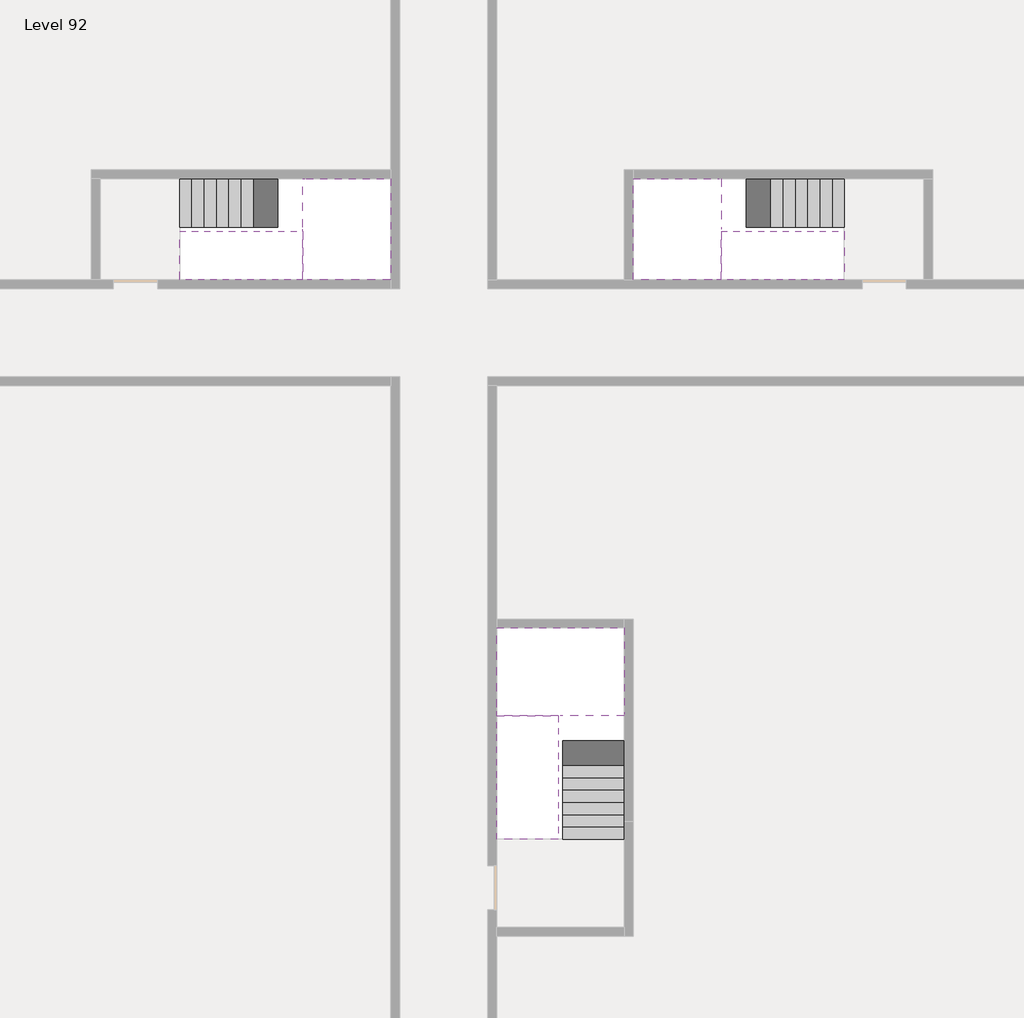
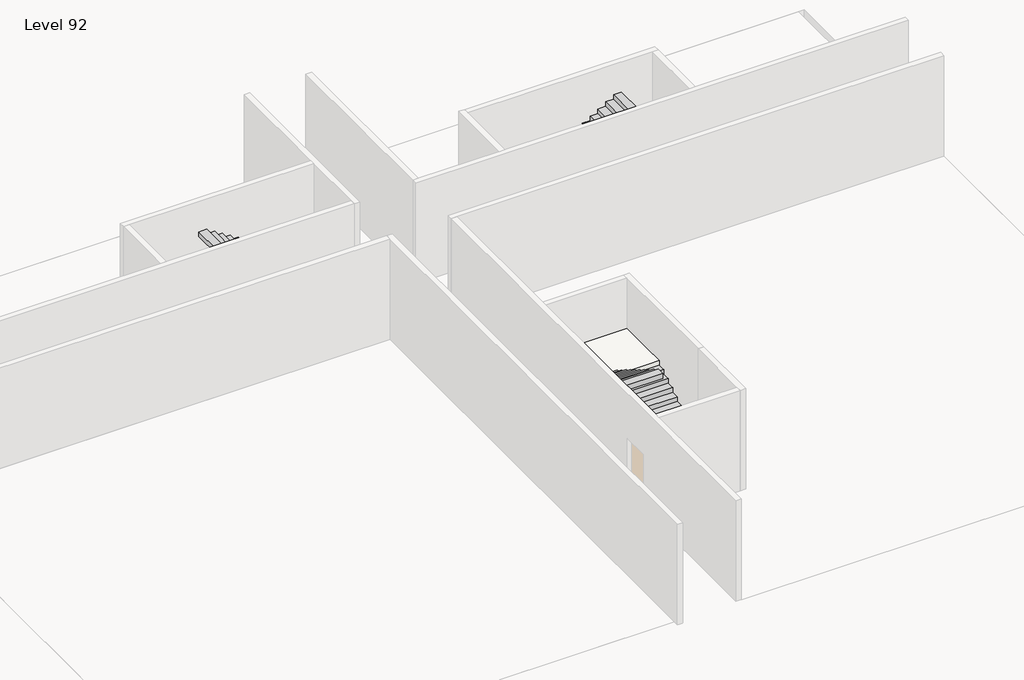
# One storey, part 2 of 2: 6 stair flights, 3 slabs.
"""IFC4 building model written with IfcOpenShell, lengths in millimetres."""

from ifc_helpers import new_model, si_unit, origin, place, context, project, spatial, faceted_brep, element, save

model = new_model("IFC4")

# Units and contexts
model_context = context("Model", 3, world=origin())
ifc_project = project(units=[si_unit("LENGTHUNIT", "METRE", prefix="MILLI")], contexts=[model_context])

# Site, building, storey
site = spatial("IfcSite", under=ifc_project)
building = spatial("IfcBuilding", under=site)
storey = spatial("IfcBuildingStorey", under=building, Name="Level 92", Elevation=345800.0)

# Slabs
placement = place(None, origin())
element("IfcSlab", 1, at=placement, inside=storey, context=model_context, shape_type="Brep", body=[
    faceted_brep([(26890.1058784, -40418.09644, 347700.0), (28290.1058784, -40418.09644, 347700.0), (28290.1058784, -40338.7100038, 347700.0), (28290.1058784, -38418.09644, 347700.0), (25390.1058784, -38418.09644, 347700.0), (25390.1058784, -40217.4828763, 347700.0), (25390.1058784, -40418.09644, 347700.0), (26790.1058784, -40418.09644, 347700.0), (26890.1058784, -40418.09644, 347400.0), (26890.1058784, -40418.09644, 347351.0278478), (28290.1058784, -40418.09644, 347351.0278478), (28290.1058784, -40418.09644, 347527.2727273), (28290.1058784, -40338.7100038, 347400.0), (28290.1058784, -38418.09644, 347400.0), (25390.1058784, -38418.09644, 347400.0), (25390.1058784, -40217.4828763, 347400.0), (25390.1058784, -40418.09644, 347523.7551205), (26790.1058784, -40418.09644, 347523.7551205), (26790.1058784, -40418.09644, 347400.0), (26790.1058784, -40217.4828763, 347400.0), (26890.1058784, -40338.7100038, 347400.0)], [[[0, 1, 2, 3, 4, 5, 6, 7]], [[1, 0, 8, 9, 10, 11]], [[1, 11, 10, 12, 13, 3, 2]], [[4, 3, 13, 14]], [[4, 14, 15, 16, 6, 5]], [[7, 6, 16, 17]], [[0, 7, 17, 18, 8]], [[18, 19, 15, 14, 13, 12, 20, 8]], [[19, 18, 17]], [[20, 12, 10, 9]], [[8, 20, 9]], [[15, 19, 17, 16]]]),
])
element("IfcSlab", 2, at=placement, inside=storey, context=model_context, shape_type="Brep", body=[
    faceted_brep([(20990.1058784, -28218.09644, 347700.0), (20990.1058784, -29318.09644, 347700.0), (20990.1058784, -29418.09644, 347700.0), (20990.1058784, -30518.09644, 347700.0), (21190.7194421, -30518.09644, 347700.0), (22990.1058784, -30518.09644, 347700.0), (22990.1058784, -28218.09644, 347700.0), (21069.4923146, -28218.09644, 347700.0), (20990.1058784, -28218.09644, 347527.2727273), (20990.1058784, -28218.09644, 347351.0278478), (20990.1058784, -29318.09644, 347351.0278478), (20990.1058784, -29318.09644, 347400.0), (20990.1058784, -29418.09644, 347400.0), (20990.1058784, -29418.09644, 347523.7551205), (20990.1058784, -30518.09644, 347523.7551205), (21190.7194421, -30518.09644, 347400.0), (22990.1058784, -30518.09644, 347400.0), (22990.1058784, -28218.09644, 347400.0), (21069.4923146, -28218.09644, 347400.0), (21190.7194421, -29418.09644, 347400.0), (21069.4923146, -29318.09644, 347400.0)], [[[0, 1, 2, 3, 4, 5, 6, 7]], [[1, 0, 8, 9, 10, 11]], [[2, 1, 11, 12, 13]], [[3, 2, 13, 14]], [[3, 14, 15, 16, 5, 4]], [[6, 5, 16, 17]], [[9, 8, 0, 7, 6, 17, 18]], [[19, 12, 11, 20, 18, 17, 16, 15]], [[12, 19, 13]], [[18, 20, 10, 9]], [[20, 11, 10]], [[19, 15, 14, 13]]]),
])
element("IfcSlab", 3, at=placement, inside=storey, context=model_context, shape_type="Brep", body=[
    faceted_brep([(30490.1058784, -29318.09644, 347700.0), (30490.1058784, -28218.09644, 347700.0), (30410.7194421, -28218.09644, 347700.0), (28490.1058784, -28218.09644, 347700.0), (28490.1058784, -30518.09644, 347700.0), (30289.4923146, -30518.09644, 347700.0), (30490.1058784, -30518.09644, 347700.0), (30490.1058784, -29418.09644, 347700.0), (30490.1058784, -29318.09644, 347400.0), (30490.1058784, -29318.09644, 347351.0278478), (30490.1058784, -28218.09644, 347351.0278478), (30490.1058784, -28218.09644, 347527.2727273), (30490.1058784, -29418.09644, 347523.7551205), (30490.1058784, -29418.09644, 347400.0), (30490.1058784, -30518.09644, 347523.7551205), (28490.1058784, -30518.09644, 347400.0), (30289.4923146, -30518.09644, 347400.0), (28490.1058784, -28218.09644, 347400.0), (30410.7194421, -28218.09644, 347400.0), (30289.4923146, -29418.09644, 347400.0), (30410.7194421, -29318.09644, 347400.0)], [[[0, 1, 2, 3, 4, 5, 6, 7]], [[1, 0, 8, 9, 10, 11]], [[0, 7, 12, 13, 8]], [[7, 6, 14, 12]], [[4, 15, 16, 14, 6, 5]], [[4, 3, 17, 15]], [[1, 11, 10, 18, 17, 3, 2]], [[13, 19, 16, 15, 17, 18, 20, 8]], [[20, 18, 10, 9]], [[8, 20, 9]], [[16, 19, 12, 14]], [[19, 13, 12]]]),
])

# Stair flights
element("IfcStairFlight", 4, at=placement, inside=storey, context=model_context, shape_type="Brep", body=[
    faceted_brep([(26890.1058784, -42938.09644, 345972.7272727), (26890.1058784, -43218.09644, 345972.7272727), (28290.1058784, -43218.09644, 345972.7272727), (28290.1058784, -42938.09644, 345972.7272727), (26890.1058784, -42938.09644, 345800.0), (26890.1058784, -43218.09644, 345800.0), (28290.1058784, -43218.09644, 345800.0), (28290.1058784, -42938.09644, 345800.0), (26890.1058784, -42658.09644, 346145.4545455), (26890.1058784, -42938.09644, 346145.4545455), (28290.1058784, -42938.09644, 346145.4545455), (28290.1058784, -42658.09644, 346145.4545455), (26890.1058784, -42658.09644, 345969.209666), (26890.1058784, -42932.3942143, 345800.0), (28290.1058784, -42932.3942143, 345800.0), (28290.1058784, -42658.09644, 345969.209666), (26890.1058784, -42378.09644, 346318.1818182), (26890.1058784, -42658.09644, 346318.1818182), (28290.1058784, -42658.09644, 346318.1818182), (28290.1058784, -42378.09644, 346318.1818182), (26890.1058784, -42378.09644, 346141.9369387), (28290.1058784, -42378.09644, 346141.9369387), (26890.1058784, -42098.09644, 346490.9090909), (26890.1058784, -42378.09644, 346490.9090909), (28290.1058784, -42378.09644, 346490.9090909), (28290.1058784, -42098.09644, 346490.9090909), (26890.1058784, -42098.09644, 346314.6642114), (28290.1058784, -42098.09644, 346314.6642114), (26890.1058784, -41818.09644, 346663.6363636), (26890.1058784, -42098.09644, 346663.6363636), (28290.1058784, -42098.09644, 346663.6363636), (28290.1058784, -41818.09644, 346663.6363636), (26890.1058784, -41818.09644, 346487.3914841), (28290.1058784, -41818.09644, 346487.3914841), (26890.1058784, -41538.09644, 346836.3636364), (26890.1058784, -41818.09644, 346836.3636364), (28290.1058784, -41818.09644, 346836.3636364), (28290.1058784, -41538.09644, 346836.3636364), (26890.1058784, -41538.09644, 346660.1187569), (28290.1058784, -41538.09644, 346660.1187569), (26890.1058784, -41258.09644, 347009.0909091), (26890.1058784, -41538.09644, 347009.0909091), (28290.1058784, -41538.09644, 347009.0909091), (28290.1058784, -41258.09644, 347009.0909091), (26890.1058784, -41258.09644, 346832.8460296), (28290.1058784, -41258.09644, 346832.8460296), (26890.1058784, -40978.09644, 347181.8181818), (26890.1058784, -41258.09644, 347181.8181818), (28290.1058784, -41258.09644, 347181.8181818), (28290.1058784, -40978.09644, 347181.8181818), (26890.1058784, -40978.09644, 347005.5733023), (28290.1058784, -40978.09644, 347005.5733023), (26890.1058784, -40698.09644, 347354.5454545), (26890.1058784, -40978.09644, 347354.5454545), (28290.1058784, -40978.09644, 347354.5454545), (28290.1058784, -40698.09644, 347354.5454545), (26890.1058784, -40698.09644, 347178.3005751), (28290.1058784, -40698.09644, 347178.3005751), (26890.1058784, -40418.09644, 347527.2727273), (26890.1058784, -40698.09644, 347527.2727273), (28290.1058784, -40698.09644, 347527.2727273), (28290.1058784, -40418.09644, 347527.2727273), (26890.1058784, -40418.09644, 347400.0), (26890.1058784, -40418.09644, 347351.0278478), (28290.1058784, -40418.09644, 347351.0278478)], [[[0, 1, 2, 3]], [[1, 0, 4, 5]], [[2, 1, 5, 6]], [[3, 2, 6, 7]], [[8, 9, 10, 11]], [[4, 0, 9, 8, 12, 13]], [[0, 3, 10, 9]], [[3, 7, 14, 15, 11, 10]], [[16, 17, 18, 19]], [[17, 16, 20, 12, 8]], [[8, 11, 18, 17]], [[19, 18, 11, 15, 21]], [[22, 23, 24, 25]], [[23, 22, 26, 20, 16]], [[16, 19, 24, 23]], [[25, 24, 19, 21, 27]], [[28, 29, 30, 31]], [[29, 28, 32, 26, 22]], [[22, 25, 30, 29]], [[31, 30, 25, 27, 33]], [[34, 35, 36, 37]], [[35, 34, 38, 32, 28]], [[28, 31, 36, 35]], [[37, 36, 31, 33, 39]], [[40, 41, 42, 43]], [[41, 40, 44, 38, 34]], [[34, 37, 42, 41]], [[43, 42, 37, 39, 45]], [[46, 47, 48, 49]], [[47, 46, 50, 44, 40]], [[40, 43, 48, 47]], [[49, 48, 43, 45, 51]], [[52, 53, 54, 55]], [[53, 52, 56, 50, 46]], [[46, 49, 54, 53]], [[55, 54, 49, 51, 57]], [[58, 59, 60, 61]], [[59, 58, 62, 63, 56, 52]], [[52, 55, 60, 59]], [[61, 60, 55, 57, 64]], [[58, 61, 64, 63, 62]], [[5, 4, 13, 14, 7, 6]], [[14, 13, 12, 20, 26, 32, 38, 44, 50, 56, 63, 64, 57, 51, 45, 39, 33, 27, 21, 15]]]),
])
element("IfcStairFlight", 5, at=placement, inside=storey, context=model_context, shape_type="Brep", body=[
    faceted_brep([(26790.1058784, -40698.09644, 347872.7272727), (26790.1058784, -40418.09644, 347872.7272727), (25390.1058784, -40418.09644, 347872.7272727), (25390.1058784, -40698.09644, 347872.7272727), (26790.1058784, -40698.09644, 347696.4823932), (26790.1058784, -40418.09644, 347523.7551205), (25390.1058784, -40418.09644, 347523.7551205), (25390.1058784, -40418.09644, 347700.0), (25390.1058784, -40698.09644, 347696.4823932), (26790.1058784, -40978.09644, 348045.4545455), (26790.1058784, -40698.09644, 348045.4545455), (25390.1058784, -40698.09644, 348045.4545455), (25390.1058784, -40978.09644, 348045.4545455), (26790.1058784, -40978.09644, 347869.209666), (25390.1058784, -40978.09644, 347869.209666), (26790.1058784, -41258.09644, 348218.1818182), (26790.1058784, -40978.09644, 348218.1818182), (25390.1058784, -40978.09644, 348218.1818182), (25390.1058784, -41258.09644, 348218.1818182), (26790.1058784, -41258.09644, 348041.9369387), (25390.1058784, -41258.09644, 348041.9369387), (26790.1058784, -41538.09644, 348390.9090909), (26790.1058784, -41258.09644, 348390.9090909), (25390.1058784, -41258.09644, 348390.9090909), (25390.1058784, -41538.09644, 348390.9090909), (26790.1058784, -41538.09644, 348214.6642114), (25390.1058784, -41538.09644, 348214.6642114), (26790.1058784, -41818.09644, 348563.6363636), (26790.1058784, -41538.09644, 348563.6363636), (25390.1058784, -41538.09644, 348563.6363636), (25390.1058784, -41818.09644, 348563.6363636), (26790.1058784, -41818.09644, 348387.3914841), (25390.1058784, -41818.09644, 348387.3914841), (26790.1058784, -42098.09644, 348736.3636364), (26790.1058784, -41818.09644, 348736.3636364), (25390.1058784, -41818.09644, 348736.3636364), (25390.1058784, -42098.09644, 348736.3636364), (26790.1058784, -42098.09644, 348560.1187569), (25390.1058784, -42098.09644, 348560.1187569), (26790.1058784, -42378.09644, 348909.0909091), (26790.1058784, -42098.09644, 348909.0909091), (25390.1058784, -42098.09644, 348909.0909091), (25390.1058784, -42378.09644, 348909.0909091), (26790.1058784, -42378.09644, 348732.8460296), (25390.1058784, -42378.09644, 348732.8460296), (26790.1058784, -42658.09644, 349081.8181818), (26790.1058784, -42378.09644, 349081.8181818), (25390.1058784, -42378.09644, 349081.8181818), (25390.1058784, -42658.09644, 349081.8181818), (26790.1058784, -42658.09644, 348905.5733023), (25390.1058784, -42658.09644, 348905.5733023), (26790.1058784, -42938.09644, 349254.5454545), (26790.1058784, -42658.09644, 349254.5454545), (25390.1058784, -42658.09644, 349254.5454545), (25390.1058784, -42938.09644, 349254.5454545), (26790.1058784, -42938.09644, 349078.3005751), (25390.1058784, -42938.09644, 349078.3005751), (26790.1058784, -43218.09644, 349427.2727273), (26790.1058784, -42938.09644, 349427.2727273), (25390.1058784, -42938.09644, 349427.2727273), (25390.1058784, -43218.09644, 349427.2727273), (26790.1058784, -43218.09644, 349251.0278478), (25390.1058784, -43218.09644, 349251.0278478)], [[[0, 1, 2, 3]], [[1, 0, 4, 5]], [[2, 1, 5, 6, 7]], [[3, 2, 7, 6, 8]], [[9, 10, 11, 12]], [[10, 9, 13, 4, 0]], [[11, 10, 0, 3]], [[12, 11, 3, 8, 14]], [[15, 16, 17, 18]], [[16, 15, 19, 13, 9]], [[17, 16, 9, 12]], [[18, 17, 12, 14, 20]], [[21, 22, 23, 24]], [[22, 21, 25, 19, 15]], [[23, 22, 15, 18]], [[24, 23, 18, 20, 26]], [[27, 28, 29, 30]], [[28, 27, 31, 25, 21]], [[29, 28, 21, 24]], [[30, 29, 24, 26, 32]], [[33, 34, 35, 36]], [[34, 33, 37, 31, 27]], [[35, 34, 27, 30]], [[36, 35, 30, 32, 38]], [[39, 40, 41, 42]], [[40, 39, 43, 37, 33]], [[41, 40, 33, 36]], [[42, 41, 36, 38, 44]], [[45, 46, 47, 48]], [[46, 45, 49, 43, 39]], [[47, 46, 39, 42]], [[48, 47, 42, 44, 50]], [[51, 52, 53, 54]], [[52, 51, 55, 49, 45]], [[53, 52, 45, 48]], [[54, 53, 48, 50, 56]], [[57, 58, 59, 60]], [[58, 57, 61, 55, 51]], [[59, 58, 51, 54]], [[60, 59, 54, 56, 62]], [[57, 60, 62, 61]], [[5, 4, 13, 19, 25, 31, 37, 43, 49, 55, 61, 62, 56, 50, 44, 38, 32, 26, 20, 14, 8, 6]]]),
])
element("IfcStairFlight", 6, at=placement, inside=storey, context=model_context, shape_type="Brep", body=[
    faceted_brep([(18470.1058784, -28218.09644, 345972.7272727), (18190.1058784, -28218.09644, 345972.7272727), (18190.1058784, -29318.09644, 345972.7272727), (18470.1058784, -29318.09644, 345972.7272727), (18470.1058784, -28218.09644, 345800.0), (18190.1058784, -28218.09644, 345800.0), (18190.1058784, -29318.09644, 345800.0), (18470.1058784, -29318.09644, 345800.0), (18750.1058784, -28218.09644, 346145.4545455), (18470.1058784, -28218.09644, 346145.4545455), (18470.1058784, -29318.09644, 346145.4545455), (18750.1058784, -29318.09644, 346145.4545455), (18750.1058784, -28218.09644, 345969.209666), (18475.8081041, -28218.09644, 345800.0), (18475.8081041, -29318.09644, 345800.0), (18750.1058784, -29318.09644, 345969.209666), (19030.1058784, -28218.09644, 346318.1818182), (18750.1058784, -28218.09644, 346318.1818182), (18750.1058784, -29318.09644, 346318.1818182), (19030.1058784, -29318.09644, 346318.1818182), (19030.1058784, -28218.09644, 346141.9369387), (19030.1058784, -29318.09644, 346141.9369387), (19310.1058784, -28218.09644, 346490.9090909), (19030.1058784, -28218.09644, 346490.9090909), (19030.1058784, -29318.09644, 346490.9090909), (19310.1058784, -29318.09644, 346490.9090909), (19310.1058784, -28218.09644, 346314.6642114), (19310.1058784, -29318.09644, 346314.6642114), (19590.1058784, -28218.09644, 346663.6363636), (19310.1058784, -28218.09644, 346663.6363636), (19310.1058784, -29318.09644, 346663.6363636), (19590.1058784, -29318.09644, 346663.6363636), (19590.1058784, -28218.09644, 346487.3914841), (19590.1058784, -29318.09644, 346487.3914841), (19870.1058784, -28218.09644, 346836.3636364), (19590.1058784, -28218.09644, 346836.3636364), (19590.1058784, -29318.09644, 346836.3636364), (19870.1058784, -29318.09644, 346836.3636364), (19870.1058784, -28218.09644, 346660.1187569), (19870.1058784, -29318.09644, 346660.1187569), (20150.1058784, -28218.09644, 347009.0909091), (19870.1058784, -28218.09644, 347009.0909091), (19870.1058784, -29318.09644, 347009.0909091), (20150.1058784, -29318.09644, 347009.0909091), (20150.1058784, -28218.09644, 346832.8460296), (20150.1058784, -29318.09644, 346832.8460296), (20430.1058784, -28218.09644, 347181.8181818), (20150.1058784, -28218.09644, 347181.8181818), (20150.1058784, -29318.09644, 347181.8181818), (20430.1058784, -29318.09644, 347181.8181818), (20430.1058784, -28218.09644, 347005.5733023), (20430.1058784, -29318.09644, 347005.5733023), (20710.1058784, -28218.09644, 347354.5454545), (20430.1058784, -28218.09644, 347354.5454545), (20430.1058784, -29318.09644, 347354.5454545), (20710.1058784, -29318.09644, 347354.5454545), (20710.1058784, -28218.09644, 347178.3005751), (20710.1058784, -29318.09644, 347178.3005751), (20990.1058784, -28218.09644, 347527.2727273), (20710.1058784, -28218.09644, 347527.2727273), (20710.1058784, -29318.09644, 347527.2727273), (20990.1058784, -29318.09644, 347527.2727273), (20990.1058784, -28218.09644, 347351.0278478), (20990.1058784, -29318.09644, 347351.0278478), (20990.1058784, -29318.09644, 347400.0)], [[[0, 1, 2, 3]], [[1, 0, 4, 5]], [[2, 1, 5, 6]], [[3, 2, 6, 7]], [[8, 9, 10, 11]], [[4, 0, 9, 8, 12, 13]], [[0, 3, 10, 9]], [[3, 7, 14, 15, 11, 10]], [[16, 17, 18, 19]], [[17, 16, 20, 12, 8]], [[8, 11, 18, 17]], [[19, 18, 11, 15, 21]], [[22, 23, 24, 25]], [[23, 22, 26, 20, 16]], [[16, 19, 24, 23]], [[25, 24, 19, 21, 27]], [[28, 29, 30, 31]], [[29, 28, 32, 26, 22]], [[22, 25, 30, 29]], [[31, 30, 25, 27, 33]], [[34, 35, 36, 37]], [[35, 34, 38, 32, 28]], [[28, 31, 36, 35]], [[37, 36, 31, 33, 39]], [[40, 41, 42, 43]], [[41, 40, 44, 38, 34]], [[34, 37, 42, 41]], [[43, 42, 37, 39, 45]], [[46, 47, 48, 49]], [[47, 46, 50, 44, 40]], [[40, 43, 48, 47]], [[49, 48, 43, 45, 51]], [[52, 53, 54, 55]], [[53, 52, 56, 50, 46]], [[46, 49, 54, 53]], [[55, 54, 49, 51, 57]], [[58, 59, 60, 61]], [[59, 58, 62, 56, 52]], [[52, 55, 60, 59]], [[61, 60, 55, 57, 63, 64]], [[58, 61, 64, 63, 62]], [[5, 4, 13, 14, 7, 6]], [[14, 13, 12, 20, 26, 32, 38, 44, 50, 56, 62, 63, 57, 51, 45, 39, 33, 27, 21, 15]]]),
])
element("IfcStairFlight", 7, at=placement, inside=storey, context=model_context, shape_type="Brep", body=[
    faceted_brep([(20710.1058784, -30518.09644, 347872.7272727), (20990.1058784, -30518.09644, 347872.7272727), (20990.1058784, -29418.09644, 347872.7272727), (20710.1058784, -29418.09644, 347872.7272727), (20710.1058784, -30518.09644, 347696.4823932), (20990.1058784, -30518.09644, 347523.7551205), (20990.1058784, -30518.09644, 347700.0), (20990.1058784, -29418.09644, 347523.7551205), (20710.1058784, -29418.09644, 347696.4823932), (20430.1058784, -30518.09644, 348045.4545455), (20710.1058784, -30518.09644, 348045.4545455), (20710.1058784, -29418.09644, 348045.4545455), (20430.1058784, -29418.09644, 348045.4545455), (20430.1058784, -30518.09644, 347869.209666), (20430.1058784, -29418.09644, 347869.209666), (20150.1058784, -30518.09644, 348218.1818182), (20430.1058784, -30518.09644, 348218.1818182), (20430.1058784, -29418.09644, 348218.1818182), (20150.1058784, -29418.09644, 348218.1818182), (20150.1058784, -30518.09644, 348041.9369387), (20150.1058784, -29418.09644, 348041.9369387), (19870.1058784, -30518.09644, 348390.9090909), (20150.1058784, -30518.09644, 348390.9090909), (20150.1058784, -29418.09644, 348390.9090909), (19870.1058784, -29418.09644, 348390.9090909), (19870.1058784, -30518.09644, 348214.6642114), (19870.1058784, -29418.09644, 348214.6642114), (19590.1058784, -30518.09644, 348563.6363636), (19870.1058784, -30518.09644, 348563.6363636), (19870.1058784, -29418.09644, 348563.6363636), (19590.1058784, -29418.09644, 348563.6363636), (19590.1058784, -30518.09644, 348387.3914841), (19590.1058784, -29418.09644, 348387.3914841), (19310.1058784, -30518.09644, 348736.3636364), (19590.1058784, -30518.09644, 348736.3636364), (19590.1058784, -29418.09644, 348736.3636364), (19310.1058784, -29418.09644, 348736.3636364), (19310.1058784, -30518.09644, 348560.1187569), (19310.1058784, -29418.09644, 348560.1187569), (19030.1058784, -30518.09644, 348909.0909091), (19310.1058784, -30518.09644, 348909.0909091), (19310.1058784, -29418.09644, 348909.0909091), (19030.1058784, -29418.09644, 348909.0909091), (19030.1058784, -30518.09644, 348732.8460296), (19030.1058784, -29418.09644, 348732.8460296), (18750.1058784, -30518.09644, 349081.8181818), (19030.1058784, -30518.09644, 349081.8181818), (19030.1058784, -29418.09644, 349081.8181818), (18750.1058784, -29418.09644, 349081.8181818), (18750.1058784, -30518.09644, 348905.5733023), (18750.1058784, -29418.09644, 348905.5733023), (18470.1058784, -30518.09644, 349254.5454545), (18750.1058784, -30518.09644, 349254.5454545), (18750.1058784, -29418.09644, 349254.5454545), (18470.1058784, -29418.09644, 349254.5454545), (18470.1058784, -30518.09644, 349078.3005751), (18470.1058784, -29418.09644, 349078.3005751), (18190.1058784, -30518.09644, 349427.2727273), (18470.1058784, -30518.09644, 349427.2727273), (18470.1058784, -29418.09644, 349427.2727273), (18190.1058784, -29418.09644, 349427.2727273), (18190.1058784, -30518.09644, 349251.0278478), (18190.1058784, -29418.09644, 349251.0278478)], [[[0, 1, 2, 3]], [[1, 0, 4, 5, 6]], [[2, 1, 6, 5, 7]], [[3, 2, 7, 8]], [[9, 10, 11, 12]], [[10, 9, 13, 4, 0]], [[11, 10, 0, 3]], [[12, 11, 3, 8, 14]], [[15, 16, 17, 18]], [[16, 15, 19, 13, 9]], [[17, 16, 9, 12]], [[18, 17, 12, 14, 20]], [[21, 22, 23, 24]], [[22, 21, 25, 19, 15]], [[23, 22, 15, 18]], [[24, 23, 18, 20, 26]], [[27, 28, 29, 30]], [[28, 27, 31, 25, 21]], [[29, 28, 21, 24]], [[30, 29, 24, 26, 32]], [[33, 34, 35, 36]], [[34, 33, 37, 31, 27]], [[35, 34, 27, 30]], [[36, 35, 30, 32, 38]], [[39, 40, 41, 42]], [[40, 39, 43, 37, 33]], [[41, 40, 33, 36]], [[42, 41, 36, 38, 44]], [[45, 46, 47, 48]], [[46, 45, 49, 43, 39]], [[47, 46, 39, 42]], [[48, 47, 42, 44, 50]], [[51, 52, 53, 54]], [[52, 51, 55, 49, 45]], [[53, 52, 45, 48]], [[54, 53, 48, 50, 56]], [[57, 58, 59, 60]], [[58, 57, 61, 55, 51]], [[59, 58, 51, 54]], [[60, 59, 54, 56, 62]], [[57, 60, 62, 61]], [[5, 4, 13, 19, 25, 31, 37, 43, 49, 55, 61, 62, 56, 50, 44, 38, 32, 26, 20, 14, 8, 7]]]),
])
element("IfcStairFlight", 8, at=placement, inside=storey, context=model_context, shape_type="Brep", body=[
    faceted_brep([(33010.1058784, -29318.09644, 345972.7272727), (33290.1058784, -29318.09644, 345972.7272727), (33290.1058784, -28218.09644, 345972.7272727), (33010.1058784, -28218.09644, 345972.7272727), (33290.1058784, -28218.09644, 345800.0), (33010.1058784, -28218.09644, 345800.0), (33290.1058784, -29318.09644, 345800.0), (33010.1058784, -29318.09644, 345800.0), (32730.1058784, -29318.09644, 346145.4545455), (33010.1058784, -29318.09644, 346145.4545455), (33010.1058784, -28218.09644, 346145.4545455), (32730.1058784, -28218.09644, 346145.4545455), (33004.4036527, -28218.09644, 345800.0), (32730.1058784, -28218.09644, 345969.209666), (32730.1058784, -29318.09644, 345969.209666), (33004.4036527, -29318.09644, 345800.0), (32450.1058784, -29318.09644, 346318.1818182), (32730.1058784, -29318.09644, 346318.1818182), (32730.1058784, -28218.09644, 346318.1818182), (32450.1058784, -28218.09644, 346318.1818182), (32450.1058784, -28218.09644, 346141.9369387), (32450.1058784, -29318.09644, 346141.9369387), (32170.1058784, -29318.09644, 346490.9090909), (32450.1058784, -29318.09644, 346490.9090909), (32450.1058784, -28218.09644, 346490.9090909), (32170.1058784, -28218.09644, 346490.9090909), (32170.1058784, -28218.09644, 346314.6642114), (32170.1058784, -29318.09644, 346314.6642114), (31890.1058784, -29318.09644, 346663.6363636), (32170.1058784, -29318.09644, 346663.6363636), (32170.1058784, -28218.09644, 346663.6363636), (31890.1058784, -28218.09644, 346663.6363636), (31890.1058784, -28218.09644, 346487.3914841), (31890.1058784, -29318.09644, 346487.3914841), (31610.1058784, -29318.09644, 346836.3636364), (31890.1058784, -29318.09644, 346836.3636364), (31890.1058784, -28218.09644, 346836.3636364), (31610.1058784, -28218.09644, 346836.3636364), (31610.1058784, -28218.09644, 346660.1187569), (31610.1058784, -29318.09644, 346660.1187569), (31330.1058784, -29318.09644, 347009.0909091), (31610.1058784, -29318.09644, 347009.0909091), (31610.1058784, -28218.09644, 347009.0909091), (31330.1058784, -28218.09644, 347009.0909091), (31330.1058784, -28218.09644, 346832.8460296), (31330.1058784, -29318.09644, 346832.8460296), (31050.1058784, -29318.09644, 347181.8181818), (31330.1058784, -29318.09644, 347181.8181818), (31330.1058784, -28218.09644, 347181.8181818), (31050.1058784, -28218.09644, 347181.8181818), (31050.1058784, -28218.09644, 347005.5733023), (31050.1058784, -29318.09644, 347005.5733023), (30770.1058784, -29318.09644, 347354.5454545), (31050.1058784, -29318.09644, 347354.5454545), (31050.1058784, -28218.09644, 347354.5454545), (30770.1058784, -28218.09644, 347354.5454545), (30770.1058784, -28218.09644, 347178.3005751), (30770.1058784, -29318.09644, 347178.3005751), (30490.1058784, -29318.09644, 347527.2727273), (30770.1058784, -29318.09644, 347527.2727273), (30770.1058784, -28218.09644, 347527.2727273), (30490.1058784, -28218.09644, 347527.2727273), (30490.1058784, -28218.09644, 347351.0278478), (30490.1058784, -29318.09644, 347400.0), (30490.1058784, -29318.09644, 347351.0278478)], [[[0, 1, 2, 3]], [[3, 2, 4, 5]], [[2, 1, 6, 4]], [[1, 0, 7, 6]], [[8, 9, 10, 11]], [[3, 5, 12, 13, 11, 10]], [[0, 3, 10, 9]], [[7, 0, 9, 8, 14, 15]], [[16, 17, 18, 19]], [[19, 18, 11, 13, 20]], [[8, 11, 18, 17]], [[17, 16, 21, 14, 8]], [[22, 23, 24, 25]], [[25, 24, 19, 20, 26]], [[16, 19, 24, 23]], [[23, 22, 27, 21, 16]], [[28, 29, 30, 31]], [[31, 30, 25, 26, 32]], [[22, 25, 30, 29]], [[29, 28, 33, 27, 22]], [[34, 35, 36, 37]], [[37, 36, 31, 32, 38]], [[28, 31, 36, 35]], [[35, 34, 39, 33, 28]], [[40, 41, 42, 43]], [[43, 42, 37, 38, 44]], [[34, 37, 42, 41]], [[41, 40, 45, 39, 34]], [[46, 47, 48, 49]], [[49, 48, 43, 44, 50]], [[40, 43, 48, 47]], [[47, 46, 51, 45, 40]], [[52, 53, 54, 55]], [[55, 54, 49, 50, 56]], [[46, 49, 54, 53]], [[53, 52, 57, 51, 46]], [[58, 59, 60, 61]], [[61, 60, 55, 56, 62]], [[52, 55, 60, 59]], [[59, 58, 63, 64, 57, 52]], [[58, 61, 62, 64, 63]], [[6, 7, 15, 12, 5, 4]], [[12, 15, 14, 21, 27, 33, 39, 45, 51, 57, 64, 62, 56, 50, 44, 38, 32, 26, 20, 13]]]),
])
element("IfcStairFlight", 9, at=placement, inside=storey, context=model_context, shape_type="Brep", body=[
    faceted_brep([(30770.1058784, -29418.09644, 347872.7272727), (30490.1058784, -29418.09644, 347872.7272727), (30490.1058784, -30518.09644, 347872.7272727), (30770.1058784, -30518.09644, 347872.7272727), (30490.1058784, -30518.09644, 347700.0), (30490.1058784, -30518.09644, 347523.7551205), (30770.1058784, -30518.09644, 347696.4823932), (30490.1058784, -29418.09644, 347523.7551205), (30770.1058784, -29418.09644, 347696.4823932), (31050.1058784, -29418.09644, 348045.4545455), (30770.1058784, -29418.09644, 348045.4545455), (30770.1058784, -30518.09644, 348045.4545455), (31050.1058784, -30518.09644, 348045.4545455), (31050.1058784, -30518.09644, 347869.209666), (31050.1058784, -29418.09644, 347869.209666), (31330.1058784, -29418.09644, 348218.1818182), (31050.1058784, -29418.09644, 348218.1818182), (31050.1058784, -30518.09644, 348218.1818182), (31330.1058784, -30518.09644, 348218.1818182), (31330.1058784, -30518.09644, 348041.9369387), (31330.1058784, -29418.09644, 348041.9369387), (31610.1058784, -29418.09644, 348390.9090909), (31330.1058784, -29418.09644, 348390.9090909), (31330.1058784, -30518.09644, 348390.9090909), (31610.1058784, -30518.09644, 348390.9090909), (31610.1058784, -30518.09644, 348214.6642114), (31610.1058784, -29418.09644, 348214.6642114), (31890.1058784, -29418.09644, 348563.6363636), (31610.1058784, -29418.09644, 348563.6363636), (31610.1058784, -30518.09644, 348563.6363636), (31890.1058784, -30518.09644, 348563.6363636), (31890.1058784, -30518.09644, 348387.3914841), (31890.1058784, -29418.09644, 348387.3914841), (32170.1058784, -29418.09644, 348736.3636364), (31890.1058784, -29418.09644, 348736.3636364), (31890.1058784, -30518.09644, 348736.3636364), (32170.1058784, -30518.09644, 348736.3636364), (32170.1058784, -30518.09644, 348560.1187569), (32170.1058784, -29418.09644, 348560.1187569), (32450.1058784, -29418.09644, 348909.0909091), (32170.1058784, -29418.09644, 348909.0909091), (32170.1058784, -30518.09644, 348909.0909091), (32450.1058784, -30518.09644, 348909.0909091), (32450.1058784, -30518.09644, 348732.8460296), (32450.1058784, -29418.09644, 348732.8460296), (32730.1058784, -29418.09644, 349081.8181818), (32450.1058784, -29418.09644, 349081.8181818), (32450.1058784, -30518.09644, 349081.8181818), (32730.1058784, -30518.09644, 349081.8181818), (32730.1058784, -30518.09644, 348905.5733023), (32730.1058784, -29418.09644, 348905.5733023), (33010.1058784, -29418.09644, 349254.5454545), (32730.1058784, -29418.09644, 349254.5454545), (32730.1058784, -30518.09644, 349254.5454545), (33010.1058784, -30518.09644, 349254.5454545), (33010.1058784, -30518.09644, 349078.3005751), (33010.1058784, -29418.09644, 349078.3005751), (33290.1058784, -29418.09644, 349427.2727273), (33010.1058784, -29418.09644, 349427.2727273), (33010.1058784, -30518.09644, 349427.2727273), (33290.1058784, -30518.09644, 349427.2727273), (33290.1058784, -30518.09644, 349251.0278478), (33290.1058784, -29418.09644, 349251.0278478)], [[[0, 1, 2, 3]], [[3, 2, 4, 5, 6]], [[2, 1, 7, 5, 4]], [[1, 0, 8, 7]], [[9, 10, 11, 12]], [[12, 11, 3, 6, 13]], [[11, 10, 0, 3]], [[10, 9, 14, 8, 0]], [[15, 16, 17, 18]], [[18, 17, 12, 13, 19]], [[17, 16, 9, 12]], [[16, 15, 20, 14, 9]], [[21, 22, 23, 24]], [[24, 23, 18, 19, 25]], [[23, 22, 15, 18]], [[22, 21, 26, 20, 15]], [[27, 28, 29, 30]], [[30, 29, 24, 25, 31]], [[29, 28, 21, 24]], [[28, 27, 32, 26, 21]], [[33, 34, 35, 36]], [[36, 35, 30, 31, 37]], [[35, 34, 27, 30]], [[34, 33, 38, 32, 27]], [[39, 40, 41, 42]], [[42, 41, 36, 37, 43]], [[41, 40, 33, 36]], [[40, 39, 44, 38, 33]], [[45, 46, 47, 48]], [[48, 47, 42, 43, 49]], [[47, 46, 39, 42]], [[46, 45, 50, 44, 39]], [[51, 52, 53, 54]], [[54, 53, 48, 49, 55]], [[53, 52, 45, 48]], [[52, 51, 56, 50, 45]], [[57, 58, 59, 60]], [[60, 59, 54, 55, 61]], [[59, 58, 51, 54]], [[58, 57, 62, 56, 51]], [[57, 60, 61, 62]], [[7, 8, 14, 20, 26, 32, 38, 44, 50, 56, 62, 61, 55, 49, 43, 37, 31, 25, 19, 13, 6, 5]]]),
])

save(model, "model.ifc")
